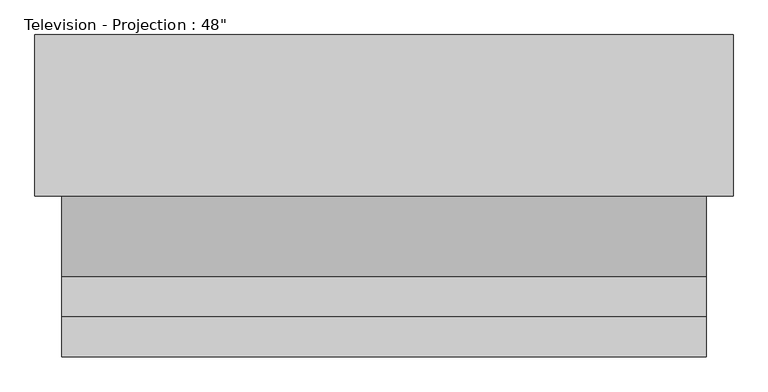
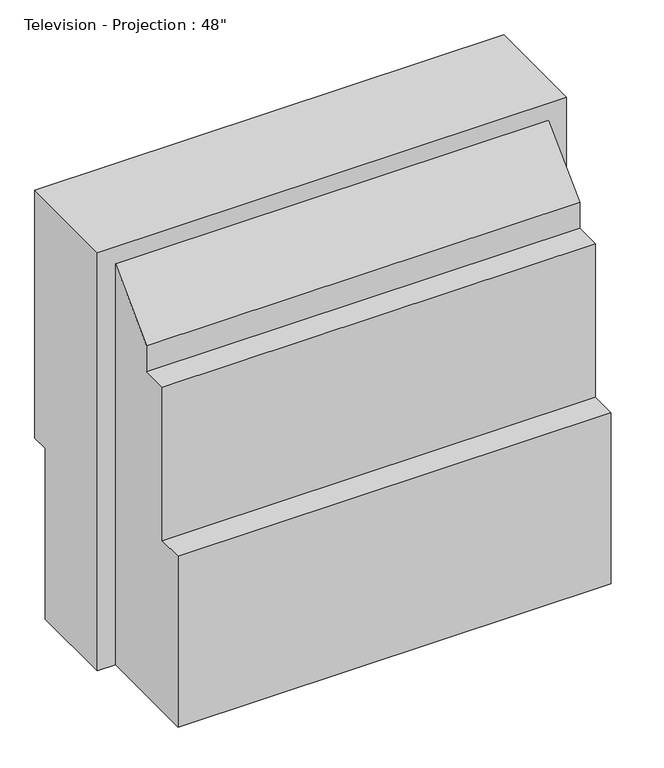
"""IFC4 building model written with IfcOpenShell, lengths in millimetres: furniture geometry."""

from ifc_helpers import new_model, si_unit, point, frame, frame_2d, origin, place, context, project, spatial, polyline, circle_curve, trimmed, segment, composite_curve, outline, extrude, faceted_brep, source, transform, mapped, element, save


def furniture_9fa87a16(model_context):
    return source(origin(), model_context, "Body", "SolidModel", [
        faceted_brep([(660.4, 609.6, 1244.6), (660.4, 609.6, 508.0), (-660.4, 609.6, 508.0), (-660.4, 609.6, 1244.6), (609.6, 609.6, 1193.8), (-609.6, 609.6, 1193.8), (-609.6, 609.6, 596.9), (609.6, 609.6, 596.9), (-660.4, 304.8, 1244.6), (660.4, 304.8, 1244.6), (-660.4, 558.8, 508.0), (-660.4, 558.8, 0.0), (-660.4, 304.8, 0.0), (660.4, 558.8, 508.0), (533.4, 558.8, 508.0), (533.4, 304.8, 508.0), (-533.4, 304.8, 508.0), (-533.4, 558.8, 508.0), (660.4, 304.8, 0.0), (660.4, 558.8, 0.0), (609.6, 558.8, 596.9), (609.6, 558.8, 1193.8), (-609.6, 558.8, 596.9), (-609.6, 558.8, 1193.8), (-533.4, 558.8, 0.0), (533.4, 558.8, 0.0), (-609.6, 304.8, 0.0), (-609.6, 304.8, 1193.8), (609.6, 304.8, 1193.8), (609.6, 304.8, 0.0), (-533.4, 304.8, 0.0), (533.4, 304.8, 0.0), (609.6, 0.0, 0.0), (-609.6, 0.0, 0.0), (609.6, 152.4, 1041.4), (609.6, 152.4, 965.2), (609.6, 76.2, 965.2), (609.6, 76.2, 508.0), (609.6, 0.0, 508.0), (-609.6, 152.4, 1041.4), (-609.6, 0.0, 508.0), (-609.6, 76.2, 508.0), (-609.6, 76.2, 965.2), (-609.6, 152.4, 965.2)], [[[0, 1, 2, 3], [4, 5, 6, 7]], [[3, 8, 9, 0]], [[2, 10, 11, 12, 8, 3]], [[1, 13, 14, 15, 16, 17, 10, 2]], [[0, 9, 18, 19, 13, 1]], [[7, 20, 21, 4]], [[6, 22, 20, 7]], [[5, 23, 22, 6]], [[4, 21, 23, 5]], [[11, 10, 17, 24]], [[14, 13, 19, 25]], [[20, 22, 23, 21]], [[9, 8, 12, 26, 27, 28, 29, 18]], [[24, 30, 31, 25, 19, 18, 29, 32, 33, 26, 12, 11]], [[17, 16, 30, 24]], [[25, 31, 15, 14]], [[34, 35, 36, 37, 38, 32, 29, 28]], [[39, 27, 26, 33, 40, 41, 42, 43]], [[28, 27, 39, 34]], [[30, 16, 15, 31]], [[38, 40, 33, 32]], [[37, 41, 40, 38]], [[36, 42, 41, 37]], [[35, 43, 42, 36]], [[34, 39, 43, 35]]]),
        extrude(outline(composite_curve([segment(polyline([(-609.6, 558.8), (-609.6, 584.2)]), True, "CONTINUOUS"), segment(trimmed(circle_curve(frame_2d((0.0, -16081.5690214)), 16676.91426), [point((-609.6, 584.2))], [point((609.6, 584.2))], False, "CARTESIAN"), True, "CONTINUOUS"), segment(polyline([(609.6, 584.2), (609.6, 558.8), (-609.6, 558.8)]), True, "CONTINUOUS")], self_intersect=False)), frame((0.0, 0.0, 596.9), z_axis=(0.0, 0.0, 1.0), x_axis=(1.0, 0.0, 0.0)), (0.0, 0.0, 1.0), 596.9),
    ])


if __name__ == "__main__":
    model = new_model("IFC4")
    model_context = context("Model", 3, world=origin())
    ifc_project = project(units=[si_unit("LENGTHUNIT", "METRE", prefix="MILLI")], contexts=[model_context])
    site = spatial("IfcSite", under=ifc_project)
    building = spatial("IfcBuilding", under=site)
    placement = place(None, origin())
    furniture_shape = furniture_9fa87a16(model_context)
    element("IfcFurniture", 1, ObjectType="Television - Projection : 48\"", at=placement, inside=building, context=model_context, shape_type="MappedRepresentation", body=[
        mapped(furniture_shape, transform((0.0, 0.0, 0.0), x_axis=(1.0, 0.0, 0.0), y_axis=(0.0, 1.0, 0.0), z_axis=(0.0, 0.0, 1.0))),
    ])
    save(model, "model.ifc")
